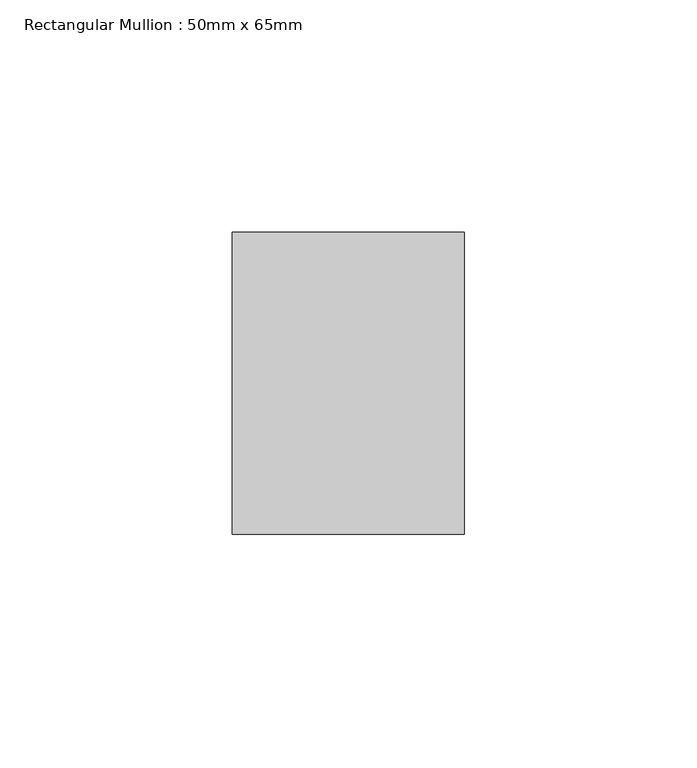
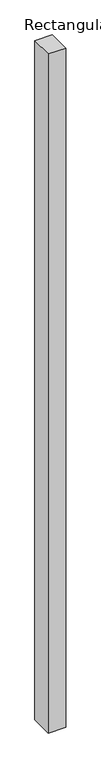
"""IFC4 building model written with IfcOpenShell, lengths in millimetres: member geometry, Rectangular Mullion : 50mm x 65mm."""

from ifc_helpers import new_model, si_unit, frame, origin, place, context, project, spatial, polyline, outline, extrude, source, transform, mapped, element, save


def rectangular_mullion_50mm_x_65mm_c0aaf62f(model_context):
    return source(origin(), model_context, "Body", "SweptSolid", [
        extrude(outline(polyline([(25.0, 32.5), (25.0, -32.5), (-25.0, -32.5), (-25.0, 32.5), (25.0, 32.5)])), frame((0.0, 0.0, -2042.0386464), z_axis=(0.0, 0.0, 1.0), x_axis=(1.0, 0.0, 0.0)), (0.0, 0.0, 1.0), 2042.0386464),
    ])


if __name__ == "__main__":
    model = new_model("IFC4")
    model_context = context("Model", 3, world=origin())
    ifc_project = project(units=[si_unit("LENGTHUNIT", "METRE", prefix="MILLI")], contexts=[model_context])
    site = spatial("IfcSite", under=ifc_project)
    building = spatial("IfcBuilding", under=site)
    placement = place(None, origin())
    rectangular_mullion_50mm_x_65mm_shape = rectangular_mullion_50mm_x_65mm_c0aaf62f(model_context)
    element("IfcMember", 1, ObjectType="Rectangular Mullion : 50mm x 65mm", at=placement, inside=building, context=model_context, shape_type="MappedRepresentation", body=[
        mapped(rectangular_mullion_50mm_x_65mm_shape, transform((0.0, 0.0, 0.0), x_axis=(1.0, 0.0, 0.0), y_axis=(0.0, 1.0, 0.0), z_axis=(0.0, 0.0, 1.0))),
    ])
    save(model, "model.ifc")
